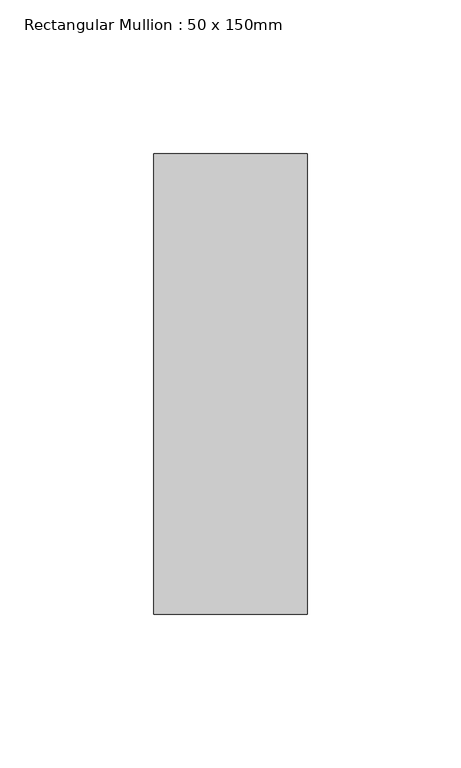
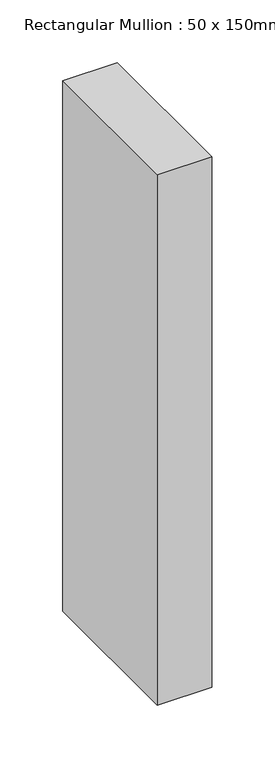
"""IFC4 building model written with IfcOpenShell, lengths in millimetres: member geometry, Rectangular Mullion : 50 x 150mm."""

from ifc_helpers import new_model, si_unit, frame, origin, place, context, project, spatial, polyline, outline, extrude, source, transform, mapped, element, save


def rectangular_mullion_50_x_150mm_218fece8(model_context):
    return source(origin(), model_context, "Body", "SweptSolid", [
        extrude(outline(polyline([(25.0, 75.0), (25.0, -75.0), (-25.0, -75.0), (-25.0, 75.0), (25.0, 75.0)])), frame((0.0, 0.0, -514.3649013), z_axis=(0.0, 0.0, 1.0), x_axis=(1.0, 0.0, 0.0)), (0.0, 0.0, 1.0), 514.3649013),
    ])


if __name__ == "__main__":
    model = new_model("IFC4")
    model_context = context("Model", 3, world=origin())
    ifc_project = project(units=[si_unit("LENGTHUNIT", "METRE", prefix="MILLI")], contexts=[model_context])
    site = spatial("IfcSite", under=ifc_project)
    building = spatial("IfcBuilding", under=site)
    placement = place(None, origin())
    rectangular_mullion_50_x_150mm_shape = rectangular_mullion_50_x_150mm_218fece8(model_context)
    element("IfcMember", 1, ObjectType="Rectangular Mullion : 50 x 150mm", at=placement, inside=building, context=model_context, shape_type="MappedRepresentation", body=[
        mapped(rectangular_mullion_50_x_150mm_shape, transform((0.0, 0.0, 0.0), x_axis=(1.0, 0.0, 0.0), y_axis=(0.0, 1.0, 0.0), z_axis=(0.0, 0.0, 1.0))),
    ])
    save(model, "model.ifc")
